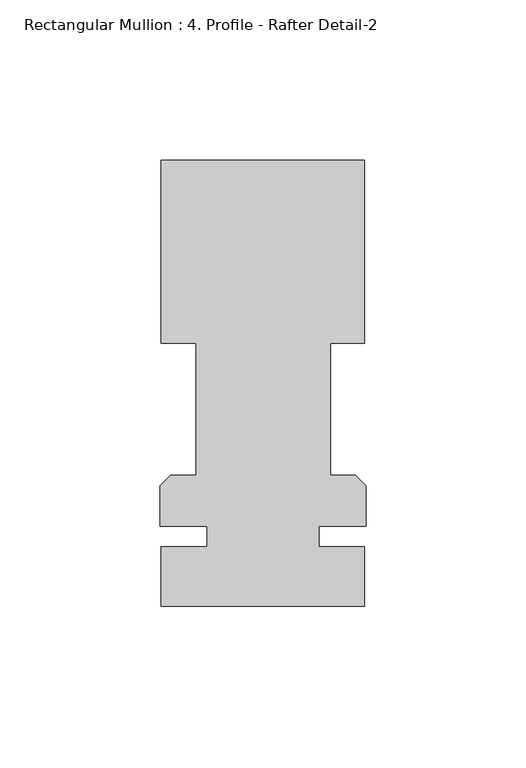
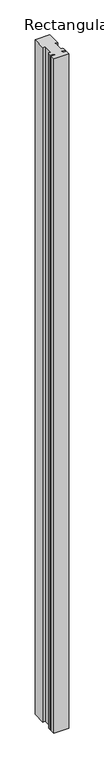
"""IFC4 building model written with IfcOpenShell, lengths in millimetres: member geometry, Rectangular Mullion : 4. Profile - Rafter Detail-2."""

from ifc_helpers import new_model, si_unit, frame, origin, place, context, project, spatial, polyline, outline, extrude, source, transform, mapped, element, save


def rectangular_mullion_4_profile_rafter_detail_2_a19d462a(model_context):
    return source(origin(), model_context, "Body", "SweptSolid", [
        extrude(outline(polyline([(-0.396875, 68.0537124), (-0.396875, 10.9037124), (-11.1156775, 10.9037124), (-11.1156775, -30.2188876), (-3.3274, -30.2188876), (0.0, -33.5462876), (0.0, -46.2462876), (-14.684375, -46.2462876), (-14.684375, -52.583486), (-0.396875, -52.583486), (-0.396875, -71.1065376), (-63.896875, -71.1065376), (-63.896875, -52.583486), (-49.609375, -52.583486), (-49.609375, -46.2462876), (-64.29375, -46.2462876), (-64.29375, -33.5462876), (-60.96635, -30.2188876), (-53.0861245, -30.2188876), (-53.0861245, 10.9037124), (-63.896875, 10.9037124), (-63.896875, 68.0537124), (-0.396875, 68.0537124)])), frame((0.0, 0.0, -3048.0), z_axis=(0.0, 0.0, 1.0), x_axis=(1.0, 0.0, 0.0)), (0.0, 0.0, 1.0), 3048.0),
    ])


if __name__ == "__main__":
    model = new_model("IFC4")
    model_context = context("Model", 3, world=origin())
    ifc_project = project(units=[si_unit("LENGTHUNIT", "METRE", prefix="MILLI")], contexts=[model_context])
    site = spatial("IfcSite", under=ifc_project)
    building = spatial("IfcBuilding", under=site)
    placement = place(None, origin())
    rectangular_mullion_4_profile_rafter_detail_2_shape = rectangular_mullion_4_profile_rafter_detail_2_a19d462a(model_context)
    element("IfcMember", 1, ObjectType="Rectangular Mullion : 4. Profile - Rafter Detail-2", at=placement, inside=building, context=model_context, shape_type="MappedRepresentation", body=[
        mapped(rectangular_mullion_4_profile_rafter_detail_2_shape, transform((0.0, 0.0, 0.0), x_axis=(1.0, 0.0, 0.0), y_axis=(0.0, 1.0, 0.0), z_axis=(0.0, 0.0, 1.0))),
    ])
    save(model, "model.ifc")
